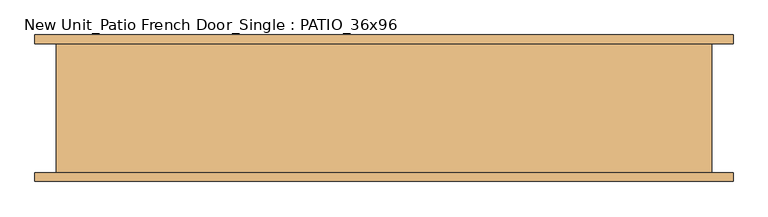
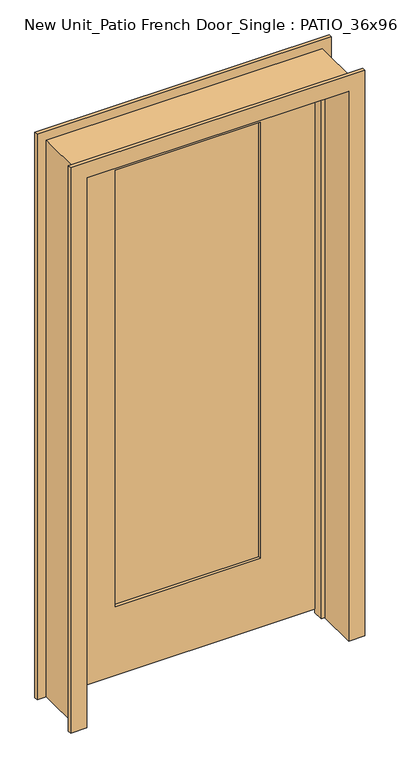
"""IFC4 building model written with IfcOpenShell, lengths in millimetres: door geometry, New Unit_Patio French Door_Single : PATIO_36x96."""

from ifc_helpers import new_model, si_unit, frame, origin, place, context, project, spatial, polyline, outline, extrude, faceted_brep, source, transform, mapped, element, save


def new_unit_patio_french_door_single_patio_36x96_d8100e9b(model_context):
    return source(origin(), model_context, "Body", "SolidModel", [
        extrude(outline(polyline([(-254.0, 79.375), (254.0, 79.375), (254.0, 66.675), (-254.0, 66.675), (-254.0, 79.375)])), frame((0.0, 0.0, 266.7), z_axis=(0.0, 0.0, 1.0), x_axis=(1.0, 0.0, 0.0)), (0.0, 0.0, 1.0), 1612.9),
        extrude(outline(polyline([(2032.0, 457.2), (2032.0, -457.2), (12.7, -457.2), (12.7, 457.2), (2032.0, 457.2)]), holes=[polyline([(1879.6, -254.0), (1879.6, 254.0), (266.7, 254.0), (266.7, -254.0), (1879.6, -254.0)])]), frame((0.0, 55.5625, 0.0), z_axis=(0.0, 1.0, 0.0), x_axis=(0.0, 0.0, 1.0)), (0.0, 0.0, 1.0), 34.925),
        faceted_brep([(-457.2, 90.4875, 0.0), (-457.2, 55.5625, 0.0), (-444.5, 55.5625, 0.0), (-444.5, 17.4625, 0.0), (-457.2, 17.4625, 0.0), (-457.2, -125.4125, 0.0), (-514.35, -125.4125, 0.0), (-514.35, -112.7125, 0.0), (-482.6, -112.7125, 0.0), (-482.6, 77.7875, 0.0), (-514.35, 77.7875, 0.0), (-514.35, 90.4875, 0.0), (-457.2, 90.4875, 2032.0), (-457.2, 55.5625, 2032.0), (457.2, 55.5625, 2032.0), (457.2, 55.5625, 0.0), (444.5, 55.5625, 0.0), (444.5, 55.5625, 2019.3), (-444.5, 55.5625, 2019.3), (-444.5, 17.4625, 2019.3), (444.5, 17.4625, 2019.3), (444.5, 17.4625, 0.0), (457.2, 17.4625, 0.0), (457.2, 17.4625, 2032.0), (-457.2, 17.4625, 2032.0), (-457.2, -125.4125, 2032.0), (457.2, -125.4125, 2032.0), (457.2, -125.4125, 0.0), (514.35, -125.4125, 0.0), (514.35, -125.4125, 2089.15), (-514.35, -125.4125, 2089.15), (-514.35, -112.7125, 2089.15), (514.35, -112.7125, 2089.15), (514.35, -112.7125, 0.0), (482.6, -112.7125, 0.0), (482.6, -112.7125, 2057.4), (-482.6, -112.7125, 2057.4), (-482.6, 77.7875, 2057.4), (482.6, 77.7875, 2057.4), (482.6, 77.7875, 0.0), (514.35, 77.7875, 0.0), (514.35, 77.7875, 2089.15), (-514.35, 77.7875, 2089.15), (-514.35, 90.4875, 2089.15), (514.35, 90.4875, 2089.15), (514.35, 90.4875, 0.0), (457.2, 90.4875, 0.0), (457.2, 90.4875, 2032.0)], [[[0, 1, 2, 3, 4, 5, 6, 7, 8, 9, 10, 11]], [[1, 0, 12, 13]], [[2, 1, 13, 14, 15, 16, 17, 18]], [[3, 2, 18, 19]], [[4, 3, 19, 20, 21, 22, 23, 24]], [[5, 4, 24, 25]], [[6, 5, 25, 26, 27, 28, 29, 30]], [[7, 6, 30, 31]], [[8, 7, 31, 32, 33, 34, 35, 36]], [[9, 8, 36, 37]], [[10, 9, 37, 38, 39, 40, 41, 42]], [[11, 10, 42, 43]], [[0, 11, 43, 44, 45, 46, 47, 12]], [[13, 12, 47, 14]], [[19, 18, 17, 20]], [[25, 24, 23, 26]], [[31, 30, 29, 32]], [[37, 36, 35, 38]], [[43, 42, 41, 44]], [[46, 45, 40, 39, 34, 33, 28, 27, 22, 21, 16, 15]], [[14, 47, 46, 15]], [[20, 17, 16, 21]], [[26, 23, 22, 27]], [[32, 29, 28, 33]], [[38, 35, 34, 39]], [[44, 41, 40, 45]]]),
    ])


if __name__ == "__main__":
    model = new_model("IFC4")
    model_context = context("Model", 3, world=origin())
    ifc_project = project(units=[si_unit("LENGTHUNIT", "METRE", prefix="MILLI")], contexts=[model_context])
    site = spatial("IfcSite", under=ifc_project)
    building = spatial("IfcBuilding", under=site)
    placement = place(None, origin())
    new_unit_patio_french_door_single_patio_36x96_shape = new_unit_patio_french_door_single_patio_36x96_d8100e9b(model_context)
    element("IfcDoor", 1, ObjectType="New Unit_Patio French Door_Single : PATIO_36x96", at=placement, inside=building, context=model_context, shape_type="MappedRepresentation", body=[
        mapped(new_unit_patio_french_door_single_patio_36x96_shape, transform((0.0, 0.0, 0.0), x_axis=(1.0, 0.0, 0.0), y_axis=(0.0, 1.0, 0.0), z_axis=(0.0, 0.0, 1.0))),
    ])
    save(model, "model.ifc")
